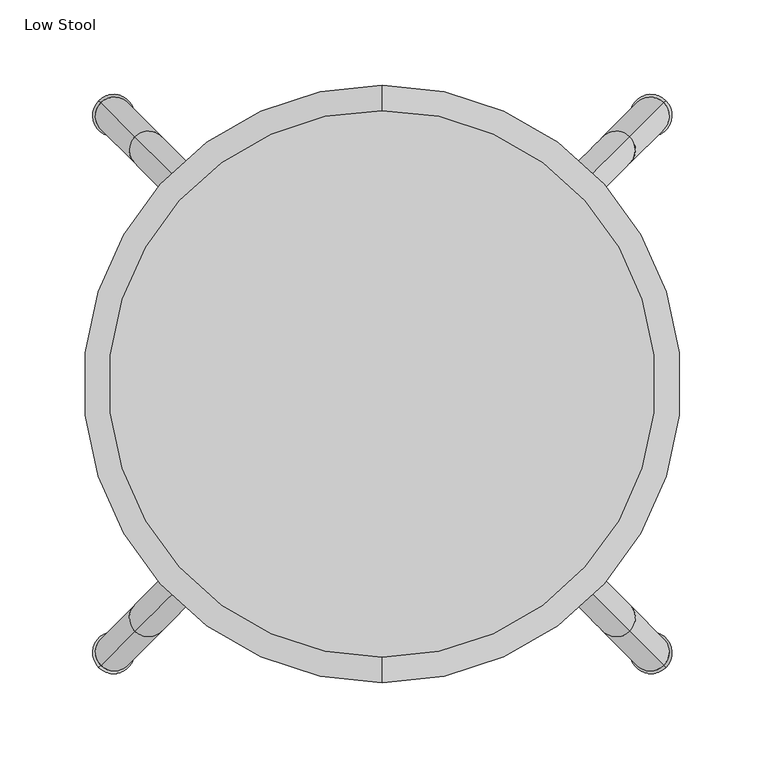
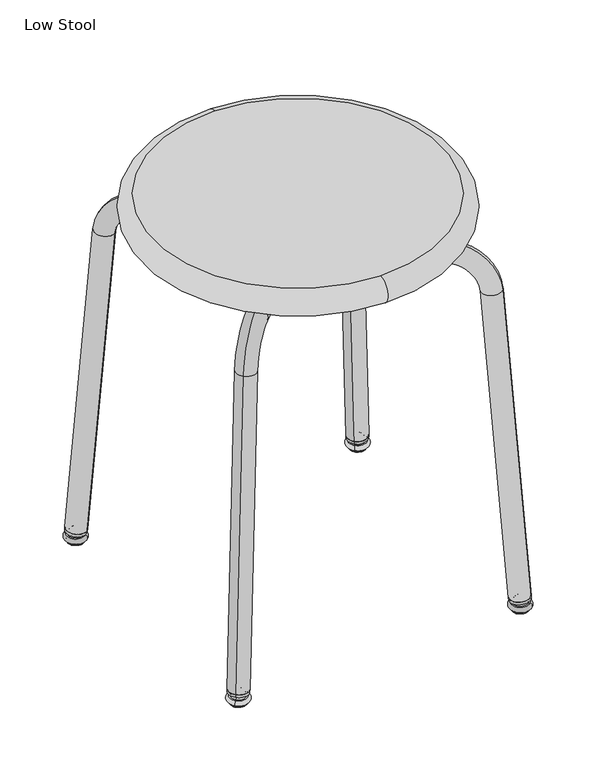
"""IFC4 building model written with IfcOpenShell, lengths in millimetres: furniture geometry, Low Stool."""

import ifcopenshell
import ifcopenshell.guid

model = None  # the IFC model being written
_history = None  # IfcOwnerHistory: only IFC2X3 demands one
_inside = {}  # id of a spatial element -> (the spatial element, [elements in it])
_under = {}  # id of a project, library or spatial element -> (it, [spatial elements below it])
_declared = {}  # id of a project -> (the project, [libraries it declares])
_typed = {}  # id of a type object -> (the type object, [elements of that type])
_made_of = {}  # id of a material, layer set ... -> (it, [elements and type objects made of it])


def new_model(schema):
    """Start an empty IFC model of exactly this schema.

    Asked for "IFC4X3", IfcOpenShell would pick the latest addendum, in which some entities
    have other attributes; the version numbers below select the first issue.
    IFC2X3 requires an IfcOwnerHistory on every rooted entity: one is made here for all.
    """
    global model, _history
    if schema == "IFC4X3":
        model = ifcopenshell.file(schema_version=(4, 3, 0, 0))
    else:
        model = ifcopenshell.file(schema=schema)
    _inside.clear()
    _under.clear()
    _declared.clear()
    _typed.clear()
    _made_of.clear()
    _history = None
    if model.schema == "IFC2X3":
        org = make("IfcOrganization", Name="unknown")
        user = make(
            "IfcPersonAndOrganization",
            ThePerson=make("IfcPerson", FamilyName="unknown"),
            TheOrganization=org,
        )
        app = make(
            "IfcApplication",
            ApplicationDeveloper=org,
            Version="unknown",
            ApplicationFullName="unknown",
            ApplicationIdentifier="unknown",
        )
        _history = make(
            "IfcOwnerHistory",
            OwningUser=user,
            OwningApplication=app,
            ChangeAction="ADDED",
            CreationDate=0,
        )
    return model


def make(cls, **values):
    """One entity of the class cls with the attributes given. An attribute that is None is left unset."""
    return model.create_entity(
        cls, **{name: value for name, value in values.items() if value is not None}
    )


def rooted(cls, **values):
    """An entity with a GlobalId (a new one), such as an element, a storey or a relation."""
    return make(cls, GlobalId=ifcopenshell.guid.new(), OwnerHistory=_history, **values)


def si_unit(unit_type, name, prefix=None):
    """IfcSIUnit, for example si_unit("LENGTHUNIT", "METRE", prefix="MILLI")."""
    return make("IfcSIUnit", UnitType=unit_type, Prefix=prefix, Name=name)


def assignment(units):
    """IfcUnitAssignment: the units of a project."""
    return None if units is None else make("IfcUnitAssignment", Units=units)


def point(xyz):
    """IfcCartesianPoint."""
    return None if xyz is None else make("IfcCartesianPoint", Coordinates=xyz)


def direction(xyz):
    """IfcDirection."""
    return None if xyz is None else make("IfcDirection", DirectionRatios=xyz)


def frame(location, z_axis=None, x_axis=None):
    """IfcAxis2Placement3D, a coordinate frame: its origin and axes. An axis left out is left unset."""
    return make(
        "IfcAxis2Placement3D",
        Location=point(location),
        Axis=direction(z_axis),
        RefDirection=direction(x_axis),
    )


def frame_2d(location, x_axis=None):
    """IfcAxis2Placement2D, a coordinate frame in the plane: its origin and x axis."""
    return make(
        "IfcAxis2Placement2D", Location=point(location), RefDirection=direction(x_axis)
    )


def origin():
    """The frame at (0, 0, 0) with its axes left unset."""
    return frame((0.0, 0.0, 0.0))


def origin_2d():
    """The frame at (0, 0) in the plane with its x axis left unset."""
    return frame_2d((0.0, 0.0))


def place(relative_to, where):
    """IfcLocalPlacement: puts the frame where relative to a parent placement (None: the world)."""
    return make(
        "IfcLocalPlacement", PlacementRelTo=relative_to, RelativePlacement=where
    )


def context(
    kind, dimensions, precision=None, world=None, true_north=None, identifier=None
):
    """IfcGeometricRepresentationContext, for example the 3D "Model" context."""
    return make(
        "IfcGeometricRepresentationContext",
        ContextIdentifier=identifier,
        ContextType=kind,
        CoordinateSpaceDimension=dimensions,
        Precision=precision,
        WorldCoordinateSystem=world,
        TrueNorth=true_north,
    )


def project(units=None, contexts=None):
    """IfcProject with its units and contexts."""
    return rooted(
        "IfcProject",
        Name="project",
        RepresentationContexts=contexts,
        UnitsInContext=assignment(units),
    )


def spatial(cls, under=None, at=None, **own):
    """A site, building, storey or space (cls), placed at a placement, below another one or the project."""
    s = rooted(cls, ObjectPlacement=at, **own)
    if under is not None:
        _under.setdefault(under.id(), (under, []))[1].append(s)
    return s


def circle_curve(where, radius):
    """IfcCircle in the frame where."""
    return make("IfcCircle", Position=where, Radius=radius)


def ellipse_curve(where, semi_axis1, semi_axis2):
    """IfcEllipse in the frame where."""
    return make(
        "IfcEllipse", Position=where, SemiAxis1=semi_axis1, SemiAxis2=semi_axis2
    )


def trimmed(basis, trim1, trim2, sense, master):
    """IfcTrimmedCurve: the piece of a basis curve between two trims."""
    return make(
        "IfcTrimmedCurve",
        BasisCurve=basis,
        Trim1=trim1,
        Trim2=trim2,
        SenseAgreement=sense,
        MasterRepresentation=master,
    )


def segment(curve, same_sense, transition):
    """IfcCompositeCurveSegment."""
    return make(
        "IfcCompositeCurveSegment",
        Transition=transition,
        SameSense=same_sense,
        ParentCurve=curve,
    )


def composite_curve(segments, self_intersect=None):
    """IfcCompositeCurve: segments joined end to end."""
    return make("IfcCompositeCurve", Segments=segments, SelfIntersect=self_intersect)


def outline(outer, holes=None, kind="AREA"):
    """IfcArbitraryClosedProfileDef: a profile drawn as a closed curve; with holes, ...WithVoids."""
    if holes is None:
        return make("IfcArbitraryClosedProfileDef", ProfileType=kind, OuterCurve=outer)
    return make(
        "IfcArbitraryProfileDefWithVoids",
        ProfileType=kind,
        OuterCurve=outer,
        InnerCurves=holes,
    )


def extrude(swept, where, along, depth):
    """IfcExtrudedAreaSolid: the profile swept, set in the frame where, extruded along a direction by depth."""
    return make(
        "IfcExtrudedAreaSolid",
        SweptArea=swept,
        Position=where,
        ExtrudedDirection=direction(along),
        Depth=depth,
    )


def shape(context_of_items, identifier, shape_type, items):
    """IfcShapeRepresentation: the items that make up one representation, for example the "Body"."""
    return make(
        "IfcShapeRepresentation",
        ContextOfItems=context_of_items,
        RepresentationIdentifier=identifier,
        RepresentationType=shape_type,
        Items=items,
    )


def source(mapping_origin, context_of_items, identifier, shape_type, items):
    """IfcRepresentationMap: a shape defined once, which mapped items show again and again."""
    return make(
        "IfcRepresentationMap",
        MappingOrigin=mapping_origin,
        MappedRepresentation=shape(context_of_items, identifier, shape_type, items),
    )


def transform(
    local_origin,
    x_axis=None,
    y_axis=None,
    z_axis=None,
    scale=None,
    scale2=None,
    scale3=None,
    uniform=True,
):
    """IfcCartesianTransformationOperator3D, or its non-uniform kind. x_axis, y_axis, z_axis: its Axis1, 2, 3."""
    if uniform:
        return make(
            "IfcCartesianTransformationOperator3D",
            Axis1=direction(x_axis),
            Axis2=direction(y_axis),
            LocalOrigin=point(local_origin),
            Scale=scale,
            Axis3=direction(z_axis),
        )
    return make(
        "IfcCartesianTransformationOperator3DnonUniform",
        Axis1=direction(x_axis),
        Axis2=direction(y_axis),
        LocalOrigin=point(local_origin),
        Scale=scale,
        Axis3=direction(z_axis),
        Scale2=scale2,
        Scale3=scale3,
    )


def mapped(mapping_source, mapping_target):
    """IfcMappedItem: shows the shape of a source again, moved by a transform."""
    return make(
        "IfcMappedItem", MappingSource=mapping_source, MappingTarget=mapping_target
    )


def made_of(thing, what):
    """Note that an element or type object is made of a material, layer set ...; save() writes the relation."""
    if what is not None:
        _made_of.setdefault(what.id(), (what, []))[1].append(thing)
    return thing


def element(
    cls,
    number,
    at=None,
    inside=None,
    cuts=None,
    type_object=None,
    material=None,
    context=None,
    identifier="Body",
    shape_type=None,
    held_by="IfcProductDefinitionShape",
    body=None,
    shapes=None,
    **own,
):
    """One element of the class cls, such as IfcWall. Its Tag is "e" and its number.

    at: its placement. inside: the storey or other place that contains it. cuts: it is an
    opening in that element (IfcRelVoidsElement). A single representation is given by context,
    identifier, shape_type and body (its items); several are given by shapes. held_by: the class
    of the entity that holds the representations. save() writes the other relations.
    """
    e = rooted(cls, Tag="e%d" % number, ObjectPlacement=at, **own)
    if body is not None:
        shapes = [shape(context, identifier, shape_type, body)]
    if shapes is not None:
        e.Representation = make(held_by, Representations=shapes)
    if inside is not None:
        _inside.setdefault(inside.id(), (inside, []))[1].append(e)
    if cuts is not None:
        rooted(
            "IfcRelVoidsElement", RelatingBuildingElement=cuts, RelatedOpeningElement=e
        )
    if type_object is not None:
        _typed.setdefault(type_object.id(), (type_object, []))[1].append(e)
    return made_of(e, material)


def aggregate(whole, parts):
    """IfcRelAggregates: a whole, such as a stair, and the parts it consists of."""
    return rooted("IfcRelAggregates", RelatingObject=whole, RelatedObjects=parts)


def save(model, path):
    """Write the relations noted so far, then the file.

    IfcRelAggregates (storeys below a building ...), IfcRelContainedInSpatialStructure (elements
    in a storey), IfcRelDefinesByType, IfcRelAssociatesMaterial and IfcRelDeclares: one each for
    every whole, place, type object, material and project.
    """
    for whole, parts in _under.values():
        aggregate(whole, parts)
    for where, things in _inside.values():
        rooted(
            "IfcRelContainedInSpatialStructure",
            RelatedElements=things,
            RelatingStructure=where,
        )
    for kind, things in _typed.values():
        rooted("IfcRelDefinesByType", RelatedObjects=things, RelatingType=kind)
    for what, things in _made_of.values():
        rooted("IfcRelAssociatesMaterial", RelatedObjects=things, RelatingMaterial=what)
    for by, libraries in _declared.values():
        rooted("IfcRelDeclares", RelatingContext=by, RelatedDefinitions=libraries)
    model.write(path)


def plane_surface(at):
    """IfcPlane: the flat surface through the origin of the frame at, square to its z axis."""
    return make("IfcPlane", Position=at)


def cylinder_surface(at, radius):
    """IfcCylindricalSurface: all points at the distance radius from the z axis of the frame at."""
    return make("IfcCylindricalSurface", Position=at, Radius=radius)


def revolved_surface(curve, axis_point, axis_direction):
    """IfcSurfaceOfRevolution: the curve turned about the line through axis_point along axis_direction."""
    return make(
        "IfcSurfaceOfRevolution",
        SweptCurve=make("IfcArbitraryOpenProfileDef", ProfileType="CURVE", Curve=curve),
        AxisPosition=make("IfcAxis1Placement", Location=point(axis_point), Axis=direction(axis_direction)),
    )


def advanced_brep(points, edges, surfaces, faces):
    """IfcAdvancedBrep: a solid bounded by faces that lie on surfaces and meet in shared edges.

    An edge is (start, end): straight between two places in points (the first is 0);
    or (start, end, curve); or (start, end, curve, False) where it runs against its curve.
    A face is (place in surfaces, loops), or (place, loops, False) where it looks against
    its surface's normal. A loop lists edges by number (the first is 1), with a minus sign
    where the edge is run from its end to its start. The first loop is the outer one.
    """
    corners = [point(p) for p in points]
    vertices = [make("IfcVertexPoint", VertexGeometry=c) for c in corners]
    made = []
    for start, end, *more in edges:
        made.append(
            make(
                "IfcEdgeCurve",
                EdgeStart=vertices[start],
                EdgeEnd=vertices[end],
                EdgeGeometry=more[0] if more else make("IfcPolyline", Points=[corners[start], corners[end]]),
                SameSense=more[1] if len(more) > 1 else True,
            )
        )
    hull = []
    for where, loops, *sense in faces:
        bounds = []
        for j, loop in enumerate(loops):
            ring = [make("IfcOrientedEdge", EdgeElement=made[abs(k) - 1], Orientation=k > 0) for k in loop]
            bounds.append(
                make(
                    "IfcFaceOuterBound" if j == 0 else "IfcFaceBound",
                    Bound=make("IfcEdgeLoop", EdgeList=ring),
                    Orientation=True,
                )
            )
        hull.append(make("IfcAdvancedFace", Bounds=bounds, FaceSurface=surfaces[where], SameSense=sense[0] if sense else True))
    return make("IfcAdvancedBrep", Outer=make("IfcClosedShell", CfsFaces=hull))


def low_stool_d89e1621(model_context):
    return source(origin(), model_context, "Body", "SolidModel", [
        advanced_brep(
        [(157.4840709, -157.4840709, 16.3000797), (151.8979321, -151.8979321, 8.4000865), (163.0702097, -163.0702097, 8.4000865), (150.6799136, -150.6799136, 8.4000865), (164.2882282, -164.2882282, 8.4000865), (150.8247027, -150.8247027, 3.1000115), (164.1434391, -164.1434391, 3.1000115), (150.8247027, -150.8247027, 1.4499962), (164.1434391, -164.1434391, 1.4499962), (151.8500048, -151.8500048, 0.0), (163.118137, -163.118137, 0.0), (157.4840709, -157.4840709, 0.0)],
        [
            (0, 1, circle_curve(frame((157.4840709, -157.4840709, 8.4000865), z_axis=(-0.707106781186547, -0.7071067811865481, 0.0), x_axis=(0.7071067811865481, -0.707106781186547, 0.0)), 7.8999932)),
            (1, 2, circle_curve(frame((157.4840709, -157.4840709, 8.4000865), z_axis=(0.0, 0.0, 1.0), x_axis=(-0.7071067811865481, 0.707106781186547, 0.0)), 7.8999932)),
            (2, 0, circle_curve(frame((157.4840709, -157.4840709, 8.4000865), z_axis=(-0.7071067811865493, -0.7071067811865458, 0.0), x_axis=(-0.7071067811865458, 0.7071067811865493, 0.0)), 7.8999932)),
            (2, 1, circle_curve(frame((157.4840709, -157.4840709, 8.4000865), z_axis=(0.0, 0.0, 1.0), x_axis=(-0.7071067811865481, 0.707106781186547, 0.0)), 7.8999932)),
            (1, 3),
            (3, 4, circle_curve(frame((157.4840709, -157.4840709, 8.4000865), z_axis=(0.0, 0.0, 1.0), x_axis=(-0.7071067811865481, 0.707106781186547, 0.0)), 9.6225315)),
            (4, 2),
            (4, 3, circle_curve(frame((157.4840709, -157.4840709, 8.4000865), z_axis=(0.0, 0.0, 1.0), x_axis=(-0.7071067811865481, 0.707106781186547, 0.0)), 9.6225315)),
            (3, 5, circle_curve(frame((150.6799136, -150.6799136, 5.7460936), z_axis=(-0.707106781186547, -0.7071067811865481, 0.0), x_axis=(0.7071067811865481, -0.707106781186547, 0.0)), 2.6539929)),
            (5, 6, circle_curve(frame((157.4840709, -157.4840709, 3.1000115), z_axis=(0.0, 0.0, 1.0), x_axis=(-0.7071067811865481, 0.707106781186547, 0.0)), 9.4177689)),
            (6, 4, circle_curve(frame((164.2882282, -164.2882282, 5.7460936), z_axis=(-0.7071067811865493, -0.7071067811865458, 0.0), x_axis=(-0.7071067811865458, 0.7071067811865493, 0.0)), 2.6539929)),
            (6, 5, circle_curve(frame((157.4840709, -157.4840709, 3.1000115), z_axis=(0.0, 0.0, 1.0), x_axis=(-0.7071067811865481, 0.707106781186547, 0.0)), 9.4177689)),
            (5, 7),
            (7, 8, circle_curve(frame((157.4840709, -157.4840709, 1.4499962), z_axis=(0.0, 0.0, 1.0), x_axis=(-0.7071067811865481, 0.707106781186547, 0.0)), 9.4177689)),
            (8, 6),
            (8, 7, circle_curve(frame((157.4840709, -157.4840709, 1.4499962), z_axis=(0.0, 0.0, 1.0), x_axis=(-0.7071067811865481, 0.707106781186547, 0.0)), 9.4177689)),
            (7, 9, circle_curve(frame((151.8500048, -151.8500048, 1.4499962), z_axis=(-0.707106781186547, -0.7071067811865481, 0.0), x_axis=(0.7071067811865481, -0.707106781186547, 0.0)), 1.4499962)),
            (9, 10, circle_curve(frame((157.4840709, -157.4840709, 0.0), z_axis=(0.0, 0.0, 1.0), x_axis=(-0.7071067811865481, 0.707106781186547, 0.0)), 7.9677727)),
            (10, 8, circle_curve(frame((163.118137, -163.118137, 1.4499962), z_axis=(-0.7071067811865493, -0.7071067811865458, 0.0), x_axis=(-0.7071067811865458, 0.7071067811865493, 0.0)), 1.4499962)),
            (10, 9, circle_curve(frame((157.4840709, -157.4840709, 0.0), z_axis=(0.0, 0.0, 1.0), x_axis=(-0.7071067811865481, 0.707106781186547, 0.0)), 7.9677727)),
            (9, 11),
            (11, 10),
        ],
        [
            revolved_surface(trimmed(ellipse_curve(frame((157.4840709, -157.4840709, 8.4000865), z_axis=(0.707106781186547, 0.7071067811865481, 0.0), x_axis=(0.7071067811865481, -0.707106781186547, 0.0)), 7.8999932, 7.8999932), [point((151.8979321, -151.8979321, 8.4000865))], [point((157.4840709, -157.4840709, 16.3000797))], True, "CARTESIAN"), (157.4840709, -157.4840709, 16.3000797), (0.0, 0.0, 1.0)),
            plane_surface(frame((157.4840709, -157.4840709, 8.4000865), z_axis=(0.0, 0.0, 1.0000000000000002), x_axis=(-0.7071067811865481, 0.707106781186547, 0.0))),
            revolved_surface(trimmed(ellipse_curve(frame((150.6799136, -150.6799136, 5.7460936), z_axis=(0.707106781186547, 0.7071067811865481, 0.0), x_axis=(0.7071067811865481, -0.707106781186547, 0.0)), 2.6539929, 2.6539929), [point((150.8247027, -150.8247027, 3.1000115))], [point((150.6799136, -150.6799136, 8.4000865))], True, "CARTESIAN"), (157.4840709, -157.4840709, 16.3000797), (0.0, 0.0, 1.0)),
            cylinder_surface(frame((157.4840709, -157.4840709, 16.3000797), z_axis=(0.0, 0.0, 1.0), x_axis=(-0.7071067811865481, 0.707106781186547, 0.0)), 9.4177689),
            revolved_surface(trimmed(ellipse_curve(frame((151.8500048, -151.8500048, 1.4499962), z_axis=(0.707106781186547, 0.7071067811865481, 0.0), x_axis=(0.7071067811865481, -0.707106781186547, 0.0)), 1.4499962, 1.4499962), [point((151.8500048, -151.8500048, 0.0))], [point((150.8247027, -150.8247027, 1.4499962))], True, "CARTESIAN"), (157.4840709, -157.4840709, 16.3000797), (0.0, 0.0, 1.0)),
            plane_surface(frame((157.4840709, -157.4840709, 0.0), z_axis=(0.0, 0.0, -1.0000000000000002), x_axis=(-0.7071067811865481, 0.707106781186547, 0.0))),
        ],
        [
            (0, [[1, 2, 3]]),
            (0, [[-3, 4, -1]]),
            (1, [[-2, 5, 6, 7]]),
            (1, [[-4, -7, 8, -5]]),
            (2, [[-6, 9, 10, 11]]),
            (2, [[-8, -11, 12, -9]]),
            (3, [[-10, 13, 14, 15]]),
            (3, [[-12, -15, 16, -13]]),
            (4, [[-14, 17, 18, 19]]),
            (4, [[-16, -19, 20, -17]]),
            (5, [[-18, 21, 22]]),
            (5, [[-20, -22, -21]]),
        ],
    ),
        extrude(outline(composite_curve([segment(trimmed(circle_curve(origin_2d(), 10.922), [point((0.0, -10.9220001))], [point((0.0, 10.9219999))], False, "CARTESIAN"), True, "CONTINUOUS"), segment(trimmed(circle_curve(origin_2d(), 10.922), [point((0.0, 10.9219999))], [point((0.0, -10.9220001))], False, "CARTESIAN"), True, "CONTINUOUS")], self_intersect=False)), frame((157.2090821, -157.2090821, 12.0921494), z_axis=(-0.055478971127818584, 0.055478971127818494, 0.996917332342656), x_axis=(0.707106781186547, 0.7071067811865481, 0.0)), (0.0, 0.0, 1.0), 3.0363618),
        advanced_brep(
        [(149.2057139, -149.2057139, 14.2471249), (164.8755419, -164.8755419, 15.9911775), (145.0236974, -145.0236974, 372.7177973), (129.3538699, -129.3538699, 370.973737), (108.8532894, -108.8532894, 397.7738496), (108.8532894, -108.8532894, 420.0028563), (0.0, 0.0, 397.7738496), (0.0, 0.0, 420.0028563)],
        [
            (0, 1, circle_curve(frame((157.0406279, -157.0406279, 15.1191512), z_axis=(0.05547847511240269, -0.05547847511240261, -0.9969173875494424), x_axis=(0.7049270450189887, -0.7049270450189877, 0.07845841192373805)), 11.1145033)),
            (1, 0, circle_curve(frame((157.0406279, -157.0406279, 15.1191512), z_axis=(0.05547847511240269, -0.05547847511240261, -0.9969173875494424), x_axis=(0.7049270450189887, -0.7049270450189877, 0.07845841192373805)), 11.1145033)),
            (1, 2),
            (2, 3, circle_curve(frame((137.1887835, -137.1887835, 371.8457711), z_axis=(0.055478971127814795, -0.05547897112781477, -0.9969173323426564), x_axis=(0.7049270059818958, -0.704927005981895, 0.07845911339546102)), 11.1145033)),
            (3, 0),
            (3, 2, circle_curve(frame((137.1887835, -137.1887835, 371.8457711), z_axis=(0.055478971127814795, -0.05547897112781477, -0.9969173323426564), x_axis=(0.7049270059818958, -0.704927005981895, 0.07845911339546102)), 11.1145033)),
            (4, 3, circle_curve(frame((108.8532894, -108.8532894, 368.6920009), z_axis=(0.707106781186547, 0.7071067811865481, 0.0), x_axis=(0.704927005981896, -0.7049270059818948, 0.07845911339546095)), 29.0818487)),
            (2, 5, circle_curve(frame((108.8532894, -108.8532894, 368.6920009), z_axis=(-0.707106781186547, -0.7071067811865481, 0.0), x_axis=(0.704927005981896, -0.7049270059818948, 0.07845911339546095)), 51.3108554)),
            (5, 4, circle_curve(frame((108.8532894, -108.8532894, 408.888353), z_axis=(0.7071067811865481, -0.707106781186547, 0.0), x_axis=(0.0, 0.0, 1.0000000000000002)), 11.1145033)),
            (4, 5, circle_curve(frame((108.8532894, -108.8532894, 408.888353), z_axis=(0.7071067811865481, -0.707106781186547, 0.0), x_axis=(0.0, 0.0, 1.0000000000000002)), 11.1145033)),
            (6, 7, circle_curve(frame((0.0, 0.0, 408.888353), z_axis=(-0.7071067811865481, 0.707106781186547, 0.0), x_axis=(0.0, 0.0, 1.0)), 11.1145033)),
            (7, 6, circle_curve(frame((0.0, 0.0, 408.888353), z_axis=(-0.7071067811865481, 0.707106781186547, 0.0), x_axis=(0.0, 0.0, 1.0)), 11.1145033)),
            (5, 7),
            (6, 4),
        ],
        [
            plane_surface(frame((157.0406279, -157.0406279, 15.1191512), z_axis=(0.0554784751124027, -0.055478475112402614, -0.9969173875494426), x_axis=(0.707106781186547, 0.7071067811865481, 0.0))),
            cylinder_surface(frame((157.0406279, -157.0406279, 15.1191512), z_axis=(0.05547847511240269, -0.05547847511240261, -0.9969173875494424), x_axis=(0.7049270450189887, -0.7049270450189877, 0.07845841192373805)), 11.1145033),
            revolved_surface(trimmed(ellipse_curve(frame((137.1887835, -137.1887835, 371.8457711), z_axis=(0.055478971127814795, -0.05547897112781477, -0.9969173323426564), x_axis=(0.7049270059818958, -0.704927005981895, 0.07845911339546102)), 11.1145033, 11.1145033), [point((145.023697, -145.023697, 372.7178051))], [point((129.3538699, -129.3538699, 370.973737))], True, "CARTESIAN"), (108.8532894, -108.8532894, 368.6920009), (-0.707106781186547, -0.7071067811865481, 0.0)),
            revolved_surface(trimmed(ellipse_curve(frame((137.1887835, -137.1887835, 371.8457711), z_axis=(0.055478971127814795, -0.05547897112781477, -0.9969173323426564), x_axis=(0.7049270059818958, -0.704927005981895, 0.07845911339546102)), 11.1145033, 11.1145033), [point((129.3538699, -129.3538699, 370.973737))], [point((145.023697, -145.023697, 372.7178051))], True, "CARTESIAN"), (108.8532894, -108.8532894, 368.6920009), (-0.707106781186547, -0.7071067811865481, 0.0)),
            plane_surface(frame((0.0, 0.0, 408.888353), z_axis=(-0.7071067811865481, 0.707106781186547, 0.0), x_axis=(0.707106781186547, 0.7071067811865481, 0.0))),
            cylinder_surface(frame((108.8532894, -108.8532894, 408.888353), z_axis=(0.7071067811865481, -0.707106781186547, 0.0), x_axis=(0.0, 0.0, 1.0)), 11.1145033),
        ],
        [
            (0, [[1, 2]]),
            (1, [[-2, 3, 4, 5]]),
            (1, [[-1, -5, 6, -3]]),
            (2, [[7, -4, 8, 9]]),
            (3, [[-8, -6, -7, 10]]),
            (4, [[11, 12]]),
            (5, [[-9, 13, -11, 14]]),
            (5, [[-10, -14, -12, -13]]),
        ],
    ),
        advanced_brep(
        [(163.0702097, 163.0702097, 8.4000865), (151.8979321, 151.8979321, 8.4000865), (157.4840709, 157.4840709, 16.3000797), (164.2882282, 164.2882282, 8.4000865), (150.6799136, 150.6799136, 8.4000865), (164.1434391, 164.1434391, 3.1000115), (150.8247027, 150.8247027, 3.1000115), (164.1434391, 164.1434391, 1.4499962), (150.8247027, 150.8247027, 1.4499962), (163.118137, 163.118137, 0.0), (151.8500048, 151.8500048, 0.0), (157.4840709, 157.4840709, 0.0)],
        [
            (0, 1, circle_curve(frame((157.4840709, 157.4840709, 8.4000865), z_axis=(0.0, 0.0, 1.0), x_axis=(-0.7071067811865481, -0.707106781186547, 0.0)), 7.8999932)),
            (1, 2, circle_curve(frame((157.4840709, 157.4840709, 8.4000865), z_axis=(-0.707106781186547, 0.7071067811865481, 0.0), x_axis=(0.7071067811865481, 0.707106781186547, 0.0)), 7.8999932)),
            (2, 0, circle_curve(frame((157.4840709, 157.4840709, 8.4000865), z_axis=(-0.7071067811865493, 0.7071067811865458, 0.0), x_axis=(-0.7071067811865458, -0.7071067811865493, 0.0)), 7.8999932)),
            (1, 0, circle_curve(frame((157.4840709, 157.4840709, 8.4000865), z_axis=(0.0, 0.0, 1.0), x_axis=(-0.7071067811865481, -0.707106781186547, 0.0)), 7.8999932)),
            (3, 4, circle_curve(frame((157.4840709, 157.4840709, 8.4000865), z_axis=(0.0, 0.0, 1.0), x_axis=(-0.7071067811865481, -0.707106781186547, 0.0)), 9.6225315)),
            (4, 1),
            (0, 3),
            (4, 3, circle_curve(frame((157.4840709, 157.4840709, 8.4000865), z_axis=(0.0, 0.0, 1.0), x_axis=(-0.7071067811865481, -0.707106781186547, 0.0)), 9.6225315)),
            (5, 6, circle_curve(frame((157.4840709, 157.4840709, 3.1000115), z_axis=(0.0, 0.0, 1.0), x_axis=(-0.7071067811865481, -0.707106781186547, 0.0)), 9.4177689)),
            (6, 4, circle_curve(frame((150.6799136, 150.6799136, 5.7460936), z_axis=(-0.707106781186547, 0.7071067811865481, 0.0), x_axis=(0.7071067811865481, 0.707106781186547, 0.0)), 2.6539929)),
            (3, 5, circle_curve(frame((164.2882282, 164.2882282, 5.7460936), z_axis=(-0.7071067811865493, 0.7071067811865458, 0.0), x_axis=(-0.7071067811865458, -0.7071067811865493, 0.0)), 2.6539929)),
            (6, 5, circle_curve(frame((157.4840709, 157.4840709, 3.1000115), z_axis=(0.0, 0.0, 1.0), x_axis=(-0.7071067811865481, -0.707106781186547, 0.0)), 9.4177689)),
            (7, 8, circle_curve(frame((157.4840709, 157.4840709, 1.4499962), z_axis=(0.0, 0.0, 1.0), x_axis=(-0.7071067811865481, -0.707106781186547, 0.0)), 9.4177689)),
            (8, 6),
            (5, 7),
            (8, 7, circle_curve(frame((157.4840709, 157.4840709, 1.4499962), z_axis=(0.0, 0.0, 1.0), x_axis=(-0.7071067811865481, -0.707106781186547, 0.0)), 9.4177689)),
            (9, 10, circle_curve(frame((157.4840709, 157.4840709, 0.0), z_axis=(0.0, 0.0, 1.0), x_axis=(-0.7071067811865481, -0.707106781186547, 0.0)), 7.9677727)),
            (10, 8, circle_curve(frame((151.8500048, 151.8500048, 1.4499962), z_axis=(-0.707106781186547, 0.7071067811865481, 0.0), x_axis=(0.7071067811865481, 0.707106781186547, 0.0)), 1.4499962)),
            (7, 9, circle_curve(frame((163.118137, 163.118137, 1.4499962), z_axis=(-0.7071067811865493, 0.7071067811865458, 0.0), x_axis=(-0.7071067811865458, -0.7071067811865493, 0.0)), 1.4499962)),
            (10, 9, circle_curve(frame((157.4840709, 157.4840709, 0.0), z_axis=(0.0, 0.0, 1.0), x_axis=(-0.7071067811865481, -0.707106781186547, 0.0)), 7.9677727)),
            (11, 10),
            (9, 11),
        ],
        [
            revolved_surface(trimmed(ellipse_curve(frame((157.4840709, 157.4840709, 8.4000865), z_axis=(0.707106781186547, -0.7071067811865481, 0.0), x_axis=(0.7071067811865481, 0.707106781186547, 0.0)), 7.8999932, 7.8999932), [point((157.4840709, 157.4840709, 16.3000797))], [point((151.8979321, 151.8979321, 8.4000865))], True, "CARTESIAN"), (157.4840709, 157.4840709, 16.3000797), (0.0, 0.0, -1.0)),
            plane_surface(frame((157.4840709, 157.4840709, 8.4000865), z_axis=(0.0, 0.0, 1.0000000000000002), x_axis=(-0.7071067811865481, -0.707106781186547, 0.0))),
            revolved_surface(trimmed(ellipse_curve(frame((150.6799136, 150.6799136, 5.7460936), z_axis=(0.707106781186547, -0.7071067811865481, 0.0), x_axis=(0.7071067811865481, 0.707106781186547, 0.0)), 2.6539929, 2.6539929), [point((150.6799136, 150.6799136, 8.4000865))], [point((150.8247027, 150.8247027, 3.1000115))], True, "CARTESIAN"), (157.4840709, 157.4840709, 16.3000797), (0.0, 0.0, -1.0)),
            cylinder_surface(frame((157.4840709, 157.4840709, 16.3000797), z_axis=(0.0, 0.0, -1.0), x_axis=(-0.7071067811865481, -0.707106781186547, 0.0)), 9.4177689),
            revolved_surface(trimmed(ellipse_curve(frame((151.8500048, 151.8500048, 1.4499962), z_axis=(0.707106781186547, -0.7071067811865481, 0.0), x_axis=(0.7071067811865481, 0.707106781186547, 0.0)), 1.4499962, 1.4499962), [point((150.8247027, 150.8247027, 1.4499962))], [point((151.8500048, 151.8500048, 0.0))], True, "CARTESIAN"), (157.4840709, 157.4840709, 16.3000797), (0.0, 0.0, -1.0)),
            plane_surface(frame((157.4840709, 157.4840709, 0.0), z_axis=(0.0, 0.0, -1.0000000000000002), x_axis=(-0.7071067811865481, -0.707106781186547, 0.0))),
        ],
        [
            (0, [[1, 2, 3]]),
            (0, [[4, -3, -2]]),
            (1, [[5, 6, -1, 7]]),
            (1, [[8, -7, -4, -6]]),
            (2, [[9, 10, -5, 11]]),
            (2, [[12, -11, -8, -10]]),
            (3, [[13, 14, -9, 15]]),
            (3, [[16, -15, -12, -14]]),
            (4, [[17, 18, -13, 19]]),
            (4, [[20, -19, -16, -18]]),
            (5, [[21, -17, 22]]),
            (5, [[-22, -20, -21]]),
        ],
    ),
        extrude(outline(composite_curve([segment(trimmed(circle_curve(origin_2d(), 10.922), [point((0.0, -10.9219999))], [point((0.0, 10.9220001))], False, "CARTESIAN"), True, "CONTINUOUS"), segment(trimmed(circle_curve(origin_2d(), 10.922), [point((0.0, 10.9220001))], [point((0.0, -10.9219999))], False, "CARTESIAN"), True, "CONTINUOUS")], self_intersect=False)), frame((157.2090821, 157.2090821, 12.0921494), z_axis=(-0.055478971127818584, -0.055478971127818494, 0.996917332342656), x_axis=(0.707106781186547, -0.7071067811865481, 0.0)), (0.0, 0.0, 1.0), 3.0363618),
        advanced_brep(
        [(164.8755419, 164.8755419, 15.9911775), (149.2057139, 149.2057139, 14.2471249), (145.0236974, 145.0236974, 372.7177973), (129.3538699, 129.3538699, 370.973737), (108.8532894, 108.8532894, 397.7738496), (108.8532894, 108.8532894, 420.0028563), (0.0, 0.0, 420.0028563), (0.0, 0.0, 397.7738496)],
        [
            (0, 1, circle_curve(frame((157.0406279, 157.0406279, 15.1191512), z_axis=(0.055478475112401886, 0.055478475112401796, -0.9969173875494426), x_axis=(-0.7049270450189888, -0.7049270450189877, -0.0784584119237369)), 11.1145033)),
            (1, 0, circle_curve(frame((157.0406279, 157.0406279, 15.1191512), z_axis=(0.055478475112401886, 0.055478475112401796, -0.9969173875494426), x_axis=(-0.7049270450189888, -0.7049270450189877, -0.0784584119237369)), 11.1145033)),
            (0, 2),
            (2, 3, circle_curve(frame((137.1887835, 137.1887834, 371.8457711), z_axis=(0.05547897112781476, 0.055478971127814684, -0.9969173323426564), x_axis=(-0.704927005981896, -0.7049270059818948, -0.07845911339546094)), 11.1145033)),
            (3, 1),
            (3, 2, circle_curve(frame((137.1887835, 137.1887834, 371.8457711), z_axis=(0.05547897112781476, 0.055478971127814684, -0.9969173323426564), x_axis=(-0.704927005981896, -0.7049270059818948, -0.07845911339546094)), 11.1145033)),
            (4, 3, circle_curve(frame((108.8532894, 108.8532894, 368.6920009), z_axis=(-0.707106781186547, 0.7071067811865481, 0.0), x_axis=(0.704927005981896, 0.7049270059818948, 0.07845911339546094)), 29.0818487)),
            (2, 5, circle_curve(frame((108.8532894, 108.8532894, 368.6920009), z_axis=(0.707106781186547, -0.7071067811865481, 0.0), x_axis=(0.704927005981896, 0.7049270059818948, 0.07845911339546094)), 51.3108554)),
            (5, 4, circle_curve(frame((108.8532894, 108.8532894, 408.888353), z_axis=(0.7071067811865481, 0.707106781186547, 0.0), x_axis=(0.0, 0.0, -1.0000000000000002)), 11.1145033)),
            (4, 5, circle_curve(frame((108.8532894, 108.8532894, 408.888353), z_axis=(0.7071067811865481, 0.707106781186547, 0.0), x_axis=(0.0, 0.0, -1.0000000000000002)), 11.1145033)),
            (6, 7, circle_curve(frame((0.0, 0.0, 408.888353), z_axis=(-0.7071067811865481, -0.707106781186547, 0.0), x_axis=(0.0, 0.0, -1.0)), 11.1145033)),
            (7, 6, circle_curve(frame((0.0, 0.0, 408.888353), z_axis=(-0.7071067811865481, -0.707106781186547, 0.0), x_axis=(0.0, 0.0, -1.0)), 11.1145033)),
            (5, 6),
            (7, 4),
        ],
        [
            plane_surface(frame((157.0406279, 157.0406279, 15.1191512), z_axis=(0.055478475112401886, 0.055478475112401796, -0.9969173875494426), x_axis=(0.707106781186547, -0.7071067811865481, 0.0))),
            cylinder_surface(frame((157.0406279, 157.0406279, 15.1191512), z_axis=(0.055478475112401886, 0.055478475112401796, -0.9969173875494426), x_axis=(-0.7049270450189888, -0.7049270450189877, -0.0784584119237369)), 11.1145033),
            revolved_surface(trimmed(ellipse_curve(frame((137.1887835, 137.1887834, 371.8457711), z_axis=(0.05547897112781476, 0.055478971127814684, -0.9969173323426564), x_axis=(-0.704927005981896, -0.7049270059818948, -0.07845911339546094)), 11.1145033, 11.1145033), [point((145.023697, 145.023697, 372.7178051))], [point((129.3538699, 129.3538699, 370.973737))], True, "CARTESIAN"), (108.8532894, 108.8532894, 368.6920009), (0.707106781186547, -0.7071067811865481, 0.0)),
            revolved_surface(trimmed(ellipse_curve(frame((137.1887835, 137.1887834, 371.8457711), z_axis=(0.05547897112781476, 0.055478971127814684, -0.9969173323426564), x_axis=(-0.704927005981896, -0.7049270059818948, -0.07845911339546094)), 11.1145033, 11.1145033), [point((129.3538699, 129.3538699, 370.973737))], [point((145.023697, 145.023697, 372.7178051))], True, "CARTESIAN"), (108.8532894, 108.8532894, 368.6920009), (0.707106781186547, -0.7071067811865481, 0.0)),
            plane_surface(frame((0.0, 0.0, 408.888353), z_axis=(-0.7071067811865481, -0.707106781186547, 0.0), x_axis=(0.707106781186547, -0.7071067811865481, 0.0))),
            cylinder_surface(frame((108.8532894, 108.8532894, 408.888353), z_axis=(0.7071067811865481, 0.707106781186547, 0.0), x_axis=(0.0, 0.0, -1.0)), 11.1145033),
        ],
        [
            (0, [[1, 2]]),
            (1, [[-1, 3, 4, 5]]),
            (1, [[-2, -5, 6, -3]]),
            (2, [[7, -4, 8, 9]]),
            (3, [[-8, -6, -7, 10]]),
            (4, [[11, 12]]),
            (5, [[-9, 13, -12, 14]]),
            (5, [[-10, -14, -11, -13]]),
        ],
    ),
        advanced_brep(
        [(-157.4840709, 157.4840709, 16.3000797), (-151.8979321, 151.8979321, 8.4000865), (-163.0702097, 163.0702097, 8.4000865), (-150.6799136, 150.6799136, 8.4000865), (-164.2882282, 164.2882282, 8.4000865), (-150.8247027, 150.8247027, 3.1000115), (-164.1434391, 164.1434391, 3.1000115), (-150.8247027, 150.8247027, 1.4499962), (-164.1434391, 164.1434391, 1.4499962), (-151.8500048, 151.8500048, 0.0), (-163.118137, 163.118137, 0.0), (-157.4840709, 157.4840709, 0.0)],
        [
            (0, 1, circle_curve(frame((-157.4840709, 157.4840709, 8.4000865), z_axis=(0.707106781186547, 0.7071067811865481, 0.0), x_axis=(-0.7071067811865481, 0.707106781186547, 0.0)), 7.8999932)),
            (1, 2, circle_curve(frame((-157.4840709, 157.4840709, 8.4000865), z_axis=(0.0, 0.0, 1.0), x_axis=(0.7071067811865481, -0.707106781186547, 0.0)), 7.8999932)),
            (2, 0, circle_curve(frame((-157.4840709, 157.4840709, 8.4000865), z_axis=(0.7071067811865493, 0.7071067811865458, 0.0), x_axis=(0.7071067811865458, -0.7071067811865493, 0.0)), 7.8999932)),
            (2, 1, circle_curve(frame((-157.4840709, 157.4840709, 8.4000865), z_axis=(0.0, 0.0, 1.0), x_axis=(0.7071067811865481, -0.707106781186547, 0.0)), 7.8999932)),
            (1, 3),
            (3, 4, circle_curve(frame((-157.4840709, 157.4840709, 8.4000865), z_axis=(0.0, 0.0, 1.0), x_axis=(0.7071067811865481, -0.707106781186547, 0.0)), 9.6225315)),
            (4, 2),
            (4, 3, circle_curve(frame((-157.4840709, 157.4840709, 8.4000865), z_axis=(0.0, 0.0, 1.0), x_axis=(0.7071067811865481, -0.707106781186547, 0.0)), 9.6225315)),
            (3, 5, circle_curve(frame((-150.6799136, 150.6799136, 5.7460936), z_axis=(0.707106781186547, 0.7071067811865481, 0.0), x_axis=(-0.7071067811865481, 0.707106781186547, 0.0)), 2.6539929)),
            (5, 6, circle_curve(frame((-157.4840709, 157.4840709, 3.1000115), z_axis=(0.0, 0.0, 1.0), x_axis=(0.7071067811865481, -0.707106781186547, 0.0)), 9.4177689)),
            (6, 4, circle_curve(frame((-164.2882282, 164.2882282, 5.7460936), z_axis=(0.7071067811865493, 0.7071067811865458, 0.0), x_axis=(0.7071067811865458, -0.7071067811865493, 0.0)), 2.6539929)),
            (6, 5, circle_curve(frame((-157.4840709, 157.4840709, 3.1000115), z_axis=(0.0, 0.0, 1.0), x_axis=(0.7071067811865481, -0.707106781186547, 0.0)), 9.4177689)),
            (5, 7),
            (7, 8, circle_curve(frame((-157.4840709, 157.4840709, 1.4499962), z_axis=(0.0, 0.0, 1.0), x_axis=(0.7071067811865481, -0.707106781186547, 0.0)), 9.4177689)),
            (8, 6),
            (8, 7, circle_curve(frame((-157.4840709, 157.4840709, 1.4499962), z_axis=(0.0, 0.0, 1.0), x_axis=(0.7071067811865481, -0.707106781186547, 0.0)), 9.4177689)),
            (7, 9, circle_curve(frame((-151.8500048, 151.8500048, 1.4499962), z_axis=(0.707106781186547, 0.7071067811865481, 0.0), x_axis=(-0.7071067811865481, 0.707106781186547, 0.0)), 1.4499962)),
            (9, 10, circle_curve(frame((-157.4840709, 157.4840709, 0.0), z_axis=(0.0, 0.0, 1.0), x_axis=(0.7071067811865481, -0.707106781186547, 0.0)), 7.9677727)),
            (10, 8, circle_curve(frame((-163.118137, 163.118137, 1.4499962), z_axis=(0.7071067811865493, 0.7071067811865458, 0.0), x_axis=(0.7071067811865458, -0.7071067811865493, 0.0)), 1.4499962)),
            (10, 9, circle_curve(frame((-157.4840709, 157.4840709, 0.0), z_axis=(0.0, 0.0, 1.0), x_axis=(0.7071067811865481, -0.707106781186547, 0.0)), 7.9677727)),
            (9, 11),
            (11, 10),
        ],
        [
            revolved_surface(trimmed(ellipse_curve(frame((-157.4840709, 157.4840709, 8.4000865), z_axis=(-0.707106781186547, -0.7071067811865481, 0.0), x_axis=(-0.7071067811865481, 0.707106781186547, 0.0)), 7.8999932, 7.8999932), [point((-151.8979321, 151.8979321, 8.4000865))], [point((-157.4840709, 157.4840709, 16.3000797))], True, "CARTESIAN"), (-157.4840709, 157.4840709, 16.3000797), (0.0, 0.0, 1.0)),
            plane_surface(frame((-157.4840709, 157.4840709, 8.4000865), z_axis=(0.0, 0.0, 1.0000000000000002), x_axis=(0.7071067811865481, -0.707106781186547, 0.0))),
            revolved_surface(trimmed(ellipse_curve(frame((-150.6799136, 150.6799136, 5.7460936), z_axis=(-0.707106781186547, -0.7071067811865481, 0.0), x_axis=(-0.7071067811865481, 0.707106781186547, 0.0)), 2.6539929, 2.6539929), [point((-150.8247027, 150.8247027, 3.1000115))], [point((-150.6799136, 150.6799136, 8.4000865))], True, "CARTESIAN"), (-157.4840709, 157.4840709, 16.3000797), (0.0, 0.0, 1.0)),
            cylinder_surface(frame((-157.4840709, 157.4840709, 16.3000797), z_axis=(0.0, 0.0, 1.0), x_axis=(0.7071067811865481, -0.707106781186547, 0.0)), 9.4177689),
            revolved_surface(trimmed(ellipse_curve(frame((-151.8500048, 151.8500048, 1.4499962), z_axis=(-0.707106781186547, -0.7071067811865481, 0.0), x_axis=(-0.7071067811865481, 0.707106781186547, 0.0)), 1.4499962, 1.4499962), [point((-151.8500048, 151.8500048, 0.0))], [point((-150.8247027, 150.8247027, 1.4499962))], True, "CARTESIAN"), (-157.4840709, 157.4840709, 16.3000797), (0.0, 0.0, 1.0)),
            plane_surface(frame((-157.4840709, 157.4840709, 0.0), z_axis=(0.0, 0.0, -1.0000000000000002), x_axis=(0.7071067811865481, -0.707106781186547, 0.0))),
        ],
        [
            (0, [[1, 2, 3]]),
            (0, [[-3, 4, -1]]),
            (1, [[-2, 5, 6, 7]]),
            (1, [[-4, -7, 8, -5]]),
            (2, [[-6, 9, 10, 11]]),
            (2, [[-8, -11, 12, -9]]),
            (3, [[-10, 13, 14, 15]]),
            (3, [[-12, -15, 16, -13]]),
            (4, [[-14, 17, 18, 19]]),
            (4, [[-16, -19, 20, -17]]),
            (5, [[-18, 21, 22]]),
            (5, [[-20, -22, -21]]),
        ],
    ),
        extrude(outline(composite_curve([segment(trimmed(circle_curve(origin_2d(), 10.922), [point((0.0, -10.9220001))], [point((0.0, 10.9219999))], False, "CARTESIAN"), True, "CONTINUOUS"), segment(trimmed(circle_curve(origin_2d(), 10.922), [point((0.0, 10.9219999))], [point((0.0, -10.9220001))], False, "CARTESIAN"), True, "CONTINUOUS")], self_intersect=False)), frame((-157.2090821, 157.2090821, 12.0921494), z_axis=(0.055478971127818584, -0.055478971127818494, 0.996917332342656), x_axis=(-0.707106781186547, -0.7071067811865481, 0.0)), (0.0, 0.0, 1.0), 3.0363618),
        advanced_brep(
        [(-149.2057139, 149.2057139, 14.2471249), (-164.8755419, 164.8755419, 15.9911775), (-145.0236974, 145.0236974, 372.7177973), (-129.3538699, 129.3538699, 370.973737), (-108.8532894, 108.8532894, 397.7738496), (-108.8532894, 108.8532894, 420.0028563), (0.0, 0.0, 397.7738496), (0.0, 0.0, 420.0028563)],
        [
            (0, 1, circle_curve(frame((-157.0406279, 157.0406279, 15.1191512), z_axis=(-0.05547847511240184, 0.05547847511240151, -0.9969173875494426), x_axis=(-0.7049270450189888, 0.7049270450189877, 0.07845841192373666)), 11.1145033)),
            (1, 0, circle_curve(frame((-157.0406279, 157.0406279, 15.1191512), z_axis=(-0.05547847511240184, 0.05547847511240151, -0.9969173875494426), x_axis=(-0.7049270450189888, 0.7049270450189877, 0.07845841192373666)), 11.1145033)),
            (1, 2),
            (2, 3, circle_curve(frame((-137.1887835, 137.1887834, 371.8457711), z_axis=(-0.055478971127814934, 0.05547897112781455, -0.9969173323426564), x_axis=(-0.704927005981896, 0.7049270059818948, 0.07845911339546097)), 11.1145033)),
            (3, 0),
            (3, 2, circle_curve(frame((-137.1887835, 137.1887834, 371.8457711), z_axis=(-0.055478971127814934, 0.05547897112781455, -0.9969173323426564), x_axis=(-0.704927005981896, 0.7049270059818948, 0.07845911339546097)), 11.1145033)),
            (4, 3, circle_curve(frame((-108.8532894, 108.8532894, 368.6920009), z_axis=(-0.707106781186547, -0.7071067811865481, 0.0), x_axis=(-0.704927005981896, 0.7049270059818948, 0.07845911339546094)), 29.0818487)),
            (2, 5, circle_curve(frame((-108.8532894, 108.8532894, 368.6920009), z_axis=(0.707106781186547, 0.7071067811865481, 0.0), x_axis=(-0.704927005981896, 0.7049270059818948, 0.07845911339546094)), 51.3108554)),
            (5, 4, circle_curve(frame((-108.8532894, 108.8532894, 408.888353), z_axis=(-0.7071067811865482, 0.7071067811865469, 0.0), x_axis=(0.0, 0.0, 1.0000000000000002)), 11.1145033)),
            (4, 5, circle_curve(frame((-108.8532894, 108.8532894, 408.888353), z_axis=(-0.7071067811865482, 0.7071067811865469, 0.0), x_axis=(0.0, 0.0, 1.0000000000000002)), 11.1145033)),
            (6, 7, circle_curve(frame((0.0, 0.0, 408.888353), z_axis=(0.7071067811865482, -0.7071067811865469, 0.0), x_axis=(0.0, 0.0, 1.0)), 11.1145033)),
            (7, 6, circle_curve(frame((0.0, 0.0, 408.888353), z_axis=(0.7071067811865482, -0.7071067811865469, 0.0), x_axis=(0.0, 0.0, 1.0)), 11.1145033)),
            (5, 7),
            (6, 4),
        ],
        [
            plane_surface(frame((-157.0406279, 157.0406279, 15.1191512), z_axis=(-0.055478475112401844, 0.055478475112401525, -0.9969173875494426), x_axis=(-0.707106781186547, -0.7071067811865481, 0.0))),
            cylinder_surface(frame((-157.0406279, 157.0406279, 15.1191512), z_axis=(-0.05547847511240184, 0.05547847511240151, -0.9969173875494426), x_axis=(-0.7049270450189888, 0.7049270450189877, 0.07845841192373666)), 11.1145033),
            revolved_surface(trimmed(ellipse_curve(frame((-137.1887835, 137.1887834, 371.8457711), z_axis=(-0.055478971127814934, 0.05547897112781455, -0.9969173323426564), x_axis=(-0.704927005981896, 0.7049270059818948, 0.07845911339546097)), 11.1145033, 11.1145033), [point((-145.023697, 145.023697, 372.7178051))], [point((-129.3538699, 129.3538699, 370.973737))], True, "CARTESIAN"), (-108.8532894, 108.8532894, 368.6920009), (0.707106781186547, 0.7071067811865481, 0.0)),
            revolved_surface(trimmed(ellipse_curve(frame((-137.1887835, 137.1887834, 371.8457711), z_axis=(-0.055478971127814934, 0.05547897112781455, -0.9969173323426564), x_axis=(-0.704927005981896, 0.7049270059818948, 0.07845911339546097)), 11.1145033, 11.1145033), [point((-129.3538699, 129.3538699, 370.973737))], [point((-145.023697, 145.023697, 372.7178051))], True, "CARTESIAN"), (-108.8532894, 108.8532894, 368.6920009), (0.707106781186547, 0.7071067811865481, 0.0)),
            plane_surface(frame((0.0, 0.0, 408.888353), z_axis=(0.7071067811865481, -0.707106781186547, 0.0), x_axis=(-0.707106781186547, -0.7071067811865481, 0.0))),
            cylinder_surface(frame((-108.8532894, 108.8532894, 408.888353), z_axis=(-0.7071067811865481, 0.7071067811865468, 0.0), x_axis=(0.0, 0.0, 1.0)), 11.1145033),
        ],
        [
            (0, [[1, 2]]),
            (1, [[-2, 3, 4, 5]]),
            (1, [[-1, -5, 6, -3]]),
            (2, [[7, -4, 8, 9]]),
            (3, [[-8, -6, -7, 10]]),
            (4, [[11, 12]]),
            (5, [[-9, 13, -11, 14]]),
            (5, [[-10, -14, -12, -13]]),
        ],
    ),
        advanced_brep(
        [(-163.0702097, -163.0702097, 8.4000865), (-151.8979321, -151.8979321, 8.4000865), (-157.4840709, -157.4840709, 16.3000797), (-164.2882282, -164.2882282, 8.4000865), (-150.6799136, -150.6799136, 8.4000865), (-164.1434391, -164.1434391, 3.1000115), (-150.8247027, -150.8247027, 3.1000115), (-164.1434391, -164.1434391, 1.4499962), (-150.8247027, -150.8247027, 1.4499962), (-163.118137, -163.118137, 0.0), (-151.8500048, -151.8500048, 0.0), (-157.4840709, -157.4840709, 0.0)],
        [
            (0, 1, circle_curve(frame((-157.4840709, -157.4840709, 8.4000865), z_axis=(0.0, 0.0, 1.0), x_axis=(0.7071067811865481, 0.707106781186547, 0.0)), 7.8999932)),
            (1, 2, circle_curve(frame((-157.4840709, -157.4840709, 8.4000865), z_axis=(0.707106781186547, -0.7071067811865481, 0.0), x_axis=(-0.7071067811865481, -0.707106781186547, 0.0)), 7.8999932)),
            (2, 0, circle_curve(frame((-157.4840709, -157.4840709, 8.4000865), z_axis=(0.7071067811865493, -0.7071067811865458, 0.0), x_axis=(0.7071067811865458, 0.7071067811865493, 0.0)), 7.8999932)),
            (1, 0, circle_curve(frame((-157.4840709, -157.4840709, 8.4000865), z_axis=(0.0, 0.0, 1.0), x_axis=(0.7071067811865481, 0.707106781186547, 0.0)), 7.8999932)),
            (3, 4, circle_curve(frame((-157.4840709, -157.4840709, 8.4000865), z_axis=(0.0, 0.0, 1.0), x_axis=(0.7071067811865481, 0.707106781186547, 0.0)), 9.6225315)),
            (4, 1),
            (0, 3),
            (4, 3, circle_curve(frame((-157.4840709, -157.4840709, 8.4000865), z_axis=(0.0, 0.0, 1.0), x_axis=(0.7071067811865481, 0.707106781186547, 0.0)), 9.6225315)),
            (5, 6, circle_curve(frame((-157.4840709, -157.4840709, 3.1000115), z_axis=(0.0, 0.0, 1.0), x_axis=(0.7071067811865481, 0.707106781186547, 0.0)), 9.4177689)),
            (6, 4, circle_curve(frame((-150.6799136, -150.6799136, 5.7460936), z_axis=(0.707106781186547, -0.7071067811865481, 0.0), x_axis=(-0.7071067811865481, -0.707106781186547, 0.0)), 2.6539929)),
            (3, 5, circle_curve(frame((-164.2882282, -164.2882282, 5.7460936), z_axis=(0.7071067811865493, -0.7071067811865458, 0.0), x_axis=(0.7071067811865458, 0.7071067811865493, 0.0)), 2.6539929)),
            (6, 5, circle_curve(frame((-157.4840709, -157.4840709, 3.1000115), z_axis=(0.0, 0.0, 1.0), x_axis=(0.7071067811865481, 0.707106781186547, 0.0)), 9.4177689)),
            (7, 8, circle_curve(frame((-157.4840709, -157.4840709, 1.4499962), z_axis=(0.0, 0.0, 1.0), x_axis=(0.7071067811865481, 0.707106781186547, 0.0)), 9.4177689)),
            (8, 6),
            (5, 7),
            (8, 7, circle_curve(frame((-157.4840709, -157.4840709, 1.4499962), z_axis=(0.0, 0.0, 1.0), x_axis=(0.7071067811865481, 0.707106781186547, 0.0)), 9.4177689)),
            (9, 10, circle_curve(frame((-157.4840709, -157.4840709, 0.0), z_axis=(0.0, 0.0, 1.0), x_axis=(0.7071067811865481, 0.707106781186547, 0.0)), 7.9677727)),
            (10, 8, circle_curve(frame((-151.8500048, -151.8500048, 1.4499962), z_axis=(0.707106781186547, -0.7071067811865481, 0.0), x_axis=(-0.7071067811865481, -0.707106781186547, 0.0)), 1.4499962)),
            (7, 9, circle_curve(frame((-163.118137, -163.118137, 1.4499962), z_axis=(0.7071067811865493, -0.7071067811865458, 0.0), x_axis=(0.7071067811865458, 0.7071067811865493, 0.0)), 1.4499962)),
            (10, 9, circle_curve(frame((-157.4840709, -157.4840709, 0.0), z_axis=(0.0, 0.0, 1.0), x_axis=(0.7071067811865481, 0.707106781186547, 0.0)), 7.9677727)),
            (11, 10),
            (9, 11),
        ],
        [
            revolved_surface(trimmed(ellipse_curve(frame((-157.4840709, -157.4840709, 8.4000865), z_axis=(-0.707106781186547, 0.7071067811865481, 0.0), x_axis=(-0.7071067811865481, -0.707106781186547, 0.0)), 7.8999932, 7.8999932), [point((-157.4840709, -157.4840709, 16.3000797))], [point((-151.8979321, -151.8979321, 8.4000865))], True, "CARTESIAN"), (-157.4840709, -157.4840709, 16.3000797), (0.0, 0.0, -1.0)),
            plane_surface(frame((-157.4840709, -157.4840709, 8.4000865), z_axis=(0.0, 0.0, 1.0000000000000002), x_axis=(0.7071067811865481, 0.707106781186547, 0.0))),
            revolved_surface(trimmed(ellipse_curve(frame((-150.6799136, -150.6799136, 5.7460936), z_axis=(-0.707106781186547, 0.7071067811865481, 0.0), x_axis=(-0.7071067811865481, -0.707106781186547, 0.0)), 2.6539929, 2.6539929), [point((-150.6799136, -150.6799136, 8.4000865))], [point((-150.8247027, -150.8247027, 3.1000115))], True, "CARTESIAN"), (-157.4840709, -157.4840709, 16.3000797), (0.0, 0.0, -1.0)),
            cylinder_surface(frame((-157.4840709, -157.4840709, 16.3000797), z_axis=(0.0, 0.0, -1.0), x_axis=(0.7071067811865481, 0.707106781186547, 0.0)), 9.4177689),
            revolved_surface(trimmed(ellipse_curve(frame((-151.8500048, -151.8500048, 1.4499962), z_axis=(-0.707106781186547, 0.7071067811865481, 0.0), x_axis=(-0.7071067811865481, -0.707106781186547, 0.0)), 1.4499962, 1.4499962), [point((-150.8247027, -150.8247027, 1.4499962))], [point((-151.8500048, -151.8500048, 0.0))], True, "CARTESIAN"), (-157.4840709, -157.4840709, 16.3000797), (0.0, 0.0, -1.0)),
            plane_surface(frame((-157.4840709, -157.4840709, 0.0), z_axis=(0.0, 0.0, -1.0000000000000002), x_axis=(0.7071067811865481, 0.707106781186547, 0.0))),
        ],
        [
            (0, [[1, 2, 3]]),
            (0, [[4, -3, -2]]),
            (1, [[5, 6, -1, 7]]),
            (1, [[8, -7, -4, -6]]),
            (2, [[9, 10, -5, 11]]),
            (2, [[12, -11, -8, -10]]),
            (3, [[13, 14, -9, 15]]),
            (3, [[16, -15, -12, -14]]),
            (4, [[17, 18, -13, 19]]),
            (4, [[20, -19, -16, -18]]),
            (5, [[21, -17, 22]]),
            (5, [[-22, -20, -21]]),
        ],
    ),
        extrude(outline(composite_curve([segment(trimmed(circle_curve(origin_2d(), 10.922), [point((0.0, -10.9219999))], [point((0.0, 10.9220001))], False, "CARTESIAN"), True, "CONTINUOUS"), segment(trimmed(circle_curve(origin_2d(), 10.922), [point((0.0, 10.9220001))], [point((0.0, -10.9219999))], False, "CARTESIAN"), True, "CONTINUOUS")], self_intersect=False)), frame((-157.2090821, -157.2090821, 12.0921494), z_axis=(0.055478971127818584, 0.055478971127818494, 0.996917332342656), x_axis=(-0.707106781186547, 0.7071067811865481, 0.0)), (0.0, 0.0, 1.0), 3.0363618),
        advanced_brep(
        [(-164.8755419, -164.8755419, 15.9911775), (-149.2057139, -149.2057139, 14.2471249), (-145.0236974, -145.0236974, 372.7177973), (-129.3538699, -129.3538699, 370.973737), (-108.8532894, -108.8532894, 397.7738496), (-108.8532894, -108.8532894, 420.0028563), (0.0, 0.0, 420.0028563), (0.0, 0.0, 397.7738496)],
        [
            (0, 1, circle_curve(frame((-157.0406279, -157.0406279, 15.1191512), z_axis=(-0.055478475112402226, -0.05547847511240181, -0.9969173875494424), x_axis=(0.7049270450189888, 0.7049270450189877, -0.07845841192373718)), 11.1145033)),
            (1, 0, circle_curve(frame((-157.0406279, -157.0406279, 15.1191512), z_axis=(-0.055478475112402226, -0.05547847511240181, -0.9969173875494424), x_axis=(0.7049270450189888, 0.7049270450189877, -0.07845841192373718)), 11.1145033)),
            (0, 2),
            (2, 3, circle_curve(frame((-137.1887835, -137.1887835, 371.8457711), z_axis=(-0.05547897112781492, -0.0554789711278146, -0.9969173323426564), x_axis=(0.704927005981896, 0.7049270059818948, -0.078459113395461)), 11.1145033)),
            (3, 1),
            (3, 2, circle_curve(frame((-137.1887835, -137.1887835, 371.8457711), z_axis=(-0.05547897112781492, -0.0554789711278146, -0.9969173323426564), x_axis=(0.704927005981896, 0.7049270059818948, -0.078459113395461)), 11.1145033)),
            (4, 3, circle_curve(frame((-108.8532894, -108.8532894, 368.6920009), z_axis=(0.707106781186547, -0.7071067811865481, 0.0), x_axis=(-0.704927005981896, -0.7049270059818948, 0.07845911339546095)), 29.0818487)),
            (2, 5, circle_curve(frame((-108.8532894, -108.8532894, 368.6920009), z_axis=(-0.707106781186547, 0.7071067811865481, 0.0), x_axis=(-0.704927005981896, -0.7049270059818948, 0.07845911339546095)), 51.3108554)),
            (5, 4, circle_curve(frame((-108.8532894, -108.8532894, 408.888353), z_axis=(-0.7071067811865482, -0.7071067811865469, 0.0), x_axis=(0.0, 0.0, -1.0000000000000002)), 11.1145033)),
            (4, 5, circle_curve(frame((-108.8532894, -108.8532894, 408.888353), z_axis=(-0.7071067811865482, -0.7071067811865469, 0.0), x_axis=(0.0, 0.0, -1.0000000000000002)), 11.1145033)),
            (6, 7, circle_curve(frame((0.0, 0.0, 408.888353), z_axis=(0.7071067811865482, 0.7071067811865469, 0.0), x_axis=(0.0, 0.0, -1.0)), 11.1145033)),
            (7, 6, circle_curve(frame((0.0, 0.0, 408.888353), z_axis=(0.7071067811865482, 0.7071067811865469, 0.0), x_axis=(0.0, 0.0, -1.0)), 11.1145033)),
            (5, 6),
            (7, 4),
        ],
        [
            plane_surface(frame((-157.0406279, -157.0406279, 15.1191512), z_axis=(-0.05547847511240224, -0.05547847511240182, -0.9969173875494426), x_axis=(-0.7071067811865469, 0.7071067811865481, 0.0))),
            cylinder_surface(frame((-157.0406279, -157.0406279, 15.1191512), z_axis=(-0.05547847511240224, -0.05547847511240182, -0.9969173875494426), x_axis=(0.7049270450189888, 0.7049270450189877, -0.07845841192373718)), 11.1145033),
            revolved_surface(trimmed(ellipse_curve(frame((-137.1887835, -137.1887835, 371.8457711), z_axis=(-0.05547897112781492, -0.0554789711278146, -0.9969173323426564), x_axis=(0.704927005981896, 0.7049270059818948, -0.078459113395461)), 11.1145033, 11.1145033), [point((-145.023697, -145.023697, 372.7178051))], [point((-129.3538699, -129.3538699, 370.973737))], True, "CARTESIAN"), (-108.8532894, -108.8532894, 368.6920009), (-0.707106781186547, 0.7071067811865481, 0.0)),
            revolved_surface(trimmed(ellipse_curve(frame((-137.1887835, -137.1887835, 371.8457711), z_axis=(-0.05547897112781492, -0.0554789711278146, -0.9969173323426564), x_axis=(0.704927005981896, 0.7049270059818948, -0.078459113395461)), 11.1145033, 11.1145033), [point((-129.3538699, -129.3538699, 370.973737))], [point((-145.023697, -145.023697, 372.7178051))], True, "CARTESIAN"), (-108.8532894, -108.8532894, 368.6920009), (-0.707106781186547, 0.7071067811865481, 0.0)),
            plane_surface(frame((0.0, 0.0, 408.888353), z_axis=(0.7071067811865481, 0.707106781186547, 0.0), x_axis=(-0.707106781186547, 0.7071067811865481, 0.0))),
            cylinder_surface(frame((-108.8532894, -108.8532894, 408.888353), z_axis=(-0.7071067811865481, -0.7071067811865468, 0.0), x_axis=(0.0, 0.0, -1.0)), 11.1145033),
        ],
        [
            (0, [[1, 2]]),
            (1, [[-1, 3, 4, 5]]),
            (1, [[-2, -5, 6, -3]]),
            (2, [[7, -4, 8, 9]]),
            (3, [[-8, -6, -7, 10]]),
            (4, [[11, 12]]),
            (5, [[-9, 13, -12, 14]]),
            (5, [[-10, -14, -11, -13]]),
        ],
    ),
        advanced_brep(
        [(0.0, -160.2786886, 420.37), (0.0, 160.2786886, 420.37), (0.0, 160.2786886, 450.088), (0.0, -160.2786886, 450.088)],
        [
            (0, 1, circle_curve(frame((0.0, 0.0, 420.37), z_axis=(0.0, 0.0, 1.0), x_axis=(0.0, 1.0, 0.0)), 160.2786886)),
            (1, 2, circle_curve(frame((0.0, 160.2786886, 435.229), z_axis=(1.0, 0.0, 0.0), x_axis=(0.0, 1.0, 0.0)), 14.859)),
            (2, 3, circle_curve(frame((0.0, 0.0, 450.088), z_axis=(0.0, 0.0, -1.0), x_axis=(0.0, 1.0, 0.0)), 160.2786886)),
            (3, 0, circle_curve(frame((0.0, -160.2786886, 435.229), z_axis=(1.0, 0.0, 0.0), x_axis=(0.0, -1.0, 0.0)), 14.859)),
            (2, 3, circle_curve(frame((0.0, 0.0, 450.088), z_axis=(0.0, 0.0, 1.0), x_axis=(0.0, -1.0, 0.0)), 160.2786886)),
            (1, 0, circle_curve(frame((0.0, 0.0, 420.37), z_axis=(0.0, 0.0, 1.0), x_axis=(0.0, -1.0, 0.0)), 160.2786886)),
        ],
        [
            revolved_surface(trimmed(ellipse_curve(frame((0.0, 160.2786886, 435.229), z_axis=(-1.0, 0.0, 0.0), x_axis=(0.0, 1.0, 0.0)), 14.859, 14.859), [point((0.0, 160.2786886, 450.088))], [point((0.0, 160.2786886, 420.37))], True, "CARTESIAN"), (0.0, 0.0, 734.8982), (0.0, 0.0, -1.0)),
            plane_surface(frame((0.0, 0.0, 450.088), z_axis=(0.0, 0.0, 1.0), x_axis=(0.0, -1.0, 0.0))),
            revolved_surface(trimmed(ellipse_curve(frame((0.0, -160.2786886, 435.229), z_axis=(1.0, 0.0, 0.0), x_axis=(0.0, -1.0, 0.0)), 14.859, 14.859), [point((0.0, -160.2786886, 450.088))], [point((0.0, -160.2786886, 420.37))], True, "CARTESIAN"), (0.0, 0.0, 734.8982), (0.0, 0.0, -1.0)),
            plane_surface(frame((0.0, 0.0, 420.37), z_axis=(0.0, 0.0, -1.0), x_axis=(0.0, -1.0, 0.0))),
        ],
        [
            (0, [[1, 2, 3, 4]]),
            (1, [[5, -3]]),
            (2, [[6, -4, -5, -2]]),
            (3, [[-6, -1]]),
        ],
    ),
    ])


if __name__ == "__main__":
    model = new_model("IFC4")
    model_context = context("Model", 3, world=origin())
    ifc_project = project(units=[si_unit("LENGTHUNIT", "METRE", prefix="MILLI")], contexts=[model_context])
    site = spatial("IfcSite", under=ifc_project)
    building = spatial("IfcBuilding", under=site)
    placement = place(None, origin())
    low_stool_shape = low_stool_d89e1621(model_context)
    element("IfcFurniture", 1, ObjectType="Low Stool", at=placement, inside=building, context=model_context, shape_type="MappedRepresentation", body=[
        mapped(low_stool_shape, transform((0.0, 0.0, 0.0), x_axis=(1.0, 0.0, 0.0), y_axis=(0.0, 1.0, 0.0), z_axis=(0.0, 0.0, 1.0))),
    ])
    save(model, "model.ifc")
